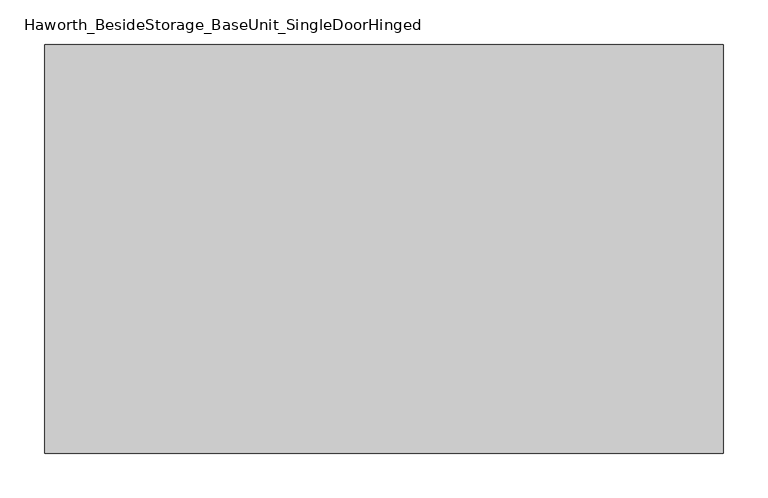
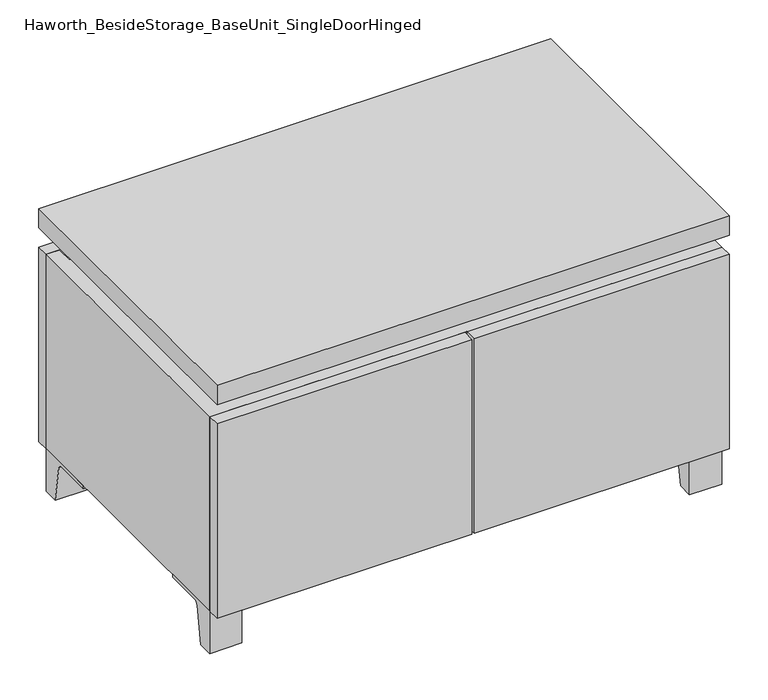
"""IFC4 building model written with IfcOpenShell, lengths in millimetres: furniture geometry, Haworth_BesideStorage_BaseUnit_SingleDoorHinged."""

from ifc_helpers import new_model, si_unit, point, frame, frame_2d, origin, place, context, project, spatial, polyline, circle_curve, trimmed, segment, composite_curve, outline, extrude, faceted_brep, source, transform, mapped, element, save


def haworth_besidestorage_baseunit_singledoorhinged_58ec198d(model_context):
    return source(origin(), model_context, "Body", "SolidModel", [
        extrude(outline(composite_curve([segment(polyline([(-129.6458469, 0.0), (-152.4, 0.0), (-152.4, 66.675), (-57.15, 66.675), (-57.15, 61.8963321), (-113.9505345, 61.8963321)]), True, "CONTINUOUS"), segment(trimmed(circle_curve(frame_2d((-113.9505345, 55.5463321)), 6.35), [point((-113.9505345, 61.8963321))], [point((-120.2141359, 56.5902656))], True, "CARTESIAN"), True, "CONTINUOUS"), segment(polyline([(-120.2141359, 56.5902656), (-129.6458469, 0.0)]), True, "CONTINUOUS")], self_intersect=False)), frame((331.8013906, 0.0, 0.0), z_axis=(1.0, 0.0, 0.0), x_axis=(0.0, 1.0, 0.0)), (0.0, 0.0, 1.0), 47.625),
        extrude(outline(composite_curve([segment(polyline([(243.9458469, 0.0), (234.5141359, 56.5902656)]), True, "CONTINUOUS"), segment(trimmed(circle_curve(frame_2d((228.2505345, 55.5463321)), 6.35), [point((234.5141359, 56.5902656))], [point((228.2505345, 61.8963321))], True, "CARTESIAN"), True, "CONTINUOUS"), segment(polyline([(228.2505345, 61.8963321), (171.45, 61.8963321), (171.45, 66.675), (266.7, 66.675), (266.7, 0.0), (243.9458469, 0.0)]), True, "CONTINUOUS")], self_intersect=False)), frame((331.8013906, 0.0, 0.0), z_axis=(1.0, 0.0, 0.0), x_axis=(0.0, 1.0, 0.0)), (0.0, 0.0, 1.0), 47.625),
        extrude(outline(composite_curve([segment(polyline([(-129.6458469, 0.0), (-152.4, 0.0), (-152.4, 66.675), (-57.15, 66.675), (-57.15, 61.8963321), (-113.9505345, 61.8963321)]), True, "CONTINUOUS"), segment(trimmed(circle_curve(frame_2d((-113.9505345, 55.5463321)), 6.35), [point((-113.9505345, 61.8963321))], [point((-120.2141359, 56.5902656))], True, "CARTESIAN"), True, "CONTINUOUS"), segment(polyline([(-120.2141359, 56.5902656), (-129.6458469, 0.0)]), True, "CONTINUOUS")], self_intersect=False)), frame((-379.3986094, 0.0, 0.0), z_axis=(1.0, 0.0, 0.0), x_axis=(0.0, 1.0, 0.0)), (0.0, 0.0, 1.0), 47.625),
        extrude(outline(composite_curve([segment(polyline([(243.9458469, 0.0), (234.5141359, 56.5902656)]), True, "CONTINUOUS"), segment(trimmed(circle_curve(frame_2d((228.2505345, 55.5463321)), 6.35), [point((234.5141359, 56.5902656))], [point((228.2505345, 61.8963321))], True, "CARTESIAN"), True, "CONTINUOUS"), segment(polyline([(228.2505345, 61.8963321), (171.45, 61.8963321), (171.45, 66.675), (266.7, 66.675), (266.7, 0.0), (243.9458469, 0.0)]), True, "CONTINUOUS")], self_intersect=False)), frame((-379.3986094, 0.0, 0.0), z_axis=(1.0, 0.0, 0.0), x_axis=(0.0, 1.0, 0.0)), (0.0, 0.0, 1.0), 47.625),
        faceted_brep([(-379.3986094, -152.4, 66.675), (379.4125, -152.4, 66.675), (379.4125, -152.4, 371.475), (-379.3986094, -152.4, 371.475), (-360.3486094, -152.4, 85.725), (-360.3486094, -152.4, 352.425), (360.3694453, -152.4, 352.425), (360.3486094, -152.4, 85.725), (-379.3986094, 266.7, 66.675), (-379.3986094, 266.7, 371.475), (-360.3486094, 266.7, 371.475), (-360.3486094, 266.7, 85.725), (360.3486094, 266.7, 85.725), (360.3486094, 266.7, 371.475), (379.4125, 266.7, 371.475), (379.4125, 266.7, 66.675), (360.3486094, 241.3, 371.475), (-360.3416641, 241.3, 371.475), (-360.3486094, 241.3, 352.425), (360.3486094, 241.3, 352.425)], [[[0, 1, 2, 3], [4, 5, 6, 7]], [[8, 9, 10, 11, 12, 13, 14, 15]], [[1, 0, 8, 15]], [[2, 1, 15, 14]], [[3, 2, 14, 13, 16, 17, 10, 9]], [[0, 3, 9, 8]], [[11, 10, 17, 18, 5, 4]], [[13, 12, 7, 6, 19, 16]], [[4, 7, 12, 11]], [[6, 5, 18, 19]], [[17, 16, 19, 18]]]),
        extrude(outline(polyline([(379.4263906, -171.45), (-379.3986094, -171.45), (-379.3986094, 285.75), (379.4263906, 285.75), (379.4263906, -171.45)])), frame((0.0, 0.0, 401.6375), z_axis=(0.0, 0.0, 1.0), x_axis=(1.0, 0.0, 0.0)), (0.0, 0.0, 1.0), 30.1625),
        faceted_brep([(7.9513906, -76.2, 401.6375), (7.9513906, -76.2, 371.475), (7.9513906, 47.625, 371.475), (7.9513906, 47.625, 401.6375), (7.9513906, 190.5, 371.475), (7.9513906, 190.5, 401.6375), (7.9513906, 66.675, 401.6375), (7.9513906, 66.675, 371.475), (-7.9236094, 190.5, 401.6375), (-7.9236094, 190.5, 371.475), (-7.9236094, 66.675, 371.475), (-7.9236094, 66.675, 401.6375), (-7.9236094, -76.2, 371.475), (-7.9236094, -76.2, 401.6375), (-7.9236094, 47.625, 401.6375), (-7.9236094, 47.625, 371.475), (-338.0958281, 66.675, 401.6375), (-338.1166641, 241.3, 401.6375), (-353.9916641, 241.3, 401.6375), (-353.9916641, -127.0, 401.6375), (-338.1166641, -127.0, 401.6375), (-338.1166641, 47.625, 401.6375), (338.1236094, 47.625, 401.6375), (338.1236094, -127.0, 401.6375), (353.9986094, -127.0, 401.6375), (353.9986094, 241.3, 401.6375), (338.1236094, 241.3, 401.6375), (338.1236094, 66.675, 401.6375), (-338.0958281, 47.625, 371.475), (-338.1166641, -127.0, 371.475), (-353.9916641, -127.0, 371.475), (-353.9916641, 241.3, 371.475), (-338.1166641, 241.3, 371.475), (-338.1166641, 66.675, 371.475), (338.1236094, 66.675, 371.475), (338.1236094, 241.3, 371.475), (353.9986094, 241.3, 371.475), (353.9986094, -127.0, 371.475), (338.1236094, -127.0, 371.475), (338.1236094, 47.625, 371.475)], [[[0, 1, 2, 3]], [[4, 5, 6, 7]], [[8, 9, 10, 11]], [[12, 13, 14, 15]], [[5, 8, 11, 16, 17, 18, 19, 20, 21, 14, 13, 0, 3, 22, 23, 24, 25, 26, 27, 6]], [[1, 12, 15, 28, 29, 30, 31, 32, 33, 10, 9, 4, 7, 34, 35, 36, 37, 38, 39, 2]], [[5, 4, 9, 8]], [[1, 0, 13, 12]], [[6, 27, 34, 7]], [[22, 3, 2, 39]], [[20, 29, 28, 21]], [[32, 17, 16, 33]], [[18, 31, 30, 19]], [[29, 20, 19, 30]], [[17, 32, 31, 18]], [[26, 35, 34, 27]], [[38, 23, 22, 39]], [[25, 24, 37, 36]], [[23, 38, 37, 24]], [[35, 26, 25, 36]], [[16, 11, 10, 33]], [[14, 21, 28, 15]]]),
        extrude(outline(polyline([(379.4263906, 266.7), (-379.3986094, 266.7), (-379.3986094, 285.75), (379.4263906, 285.75), (379.4263906, 266.7)])), frame((0.0, 0.0, 66.675), z_axis=(0.0, 0.0, 1.0), x_axis=(1.0, 0.0, 0.0)), (0.0, 0.0, 1.0), 304.8),
        extrude(outline(polyline([(-360.3416641, 196.85), (-360.3416641, 203.2), (360.3694453, 203.2), (360.3694453, 196.85), (-360.3416641, 196.85)])), frame((0.0, 0.0, 85.725), z_axis=(0.0, 0.0, 1.0), x_axis=(1.0, 0.0, 0.0)), (0.0, 0.0, 1.0), 266.7),
        extrude(outline(polyline([(1.6013906, -171.45), (1.6013906, -152.4), (379.4263906, -152.4), (379.4263906, -171.45), (1.6013906, -171.45)])), frame((0.0, 0.0, 66.675), z_axis=(0.0, 0.0, 1.0), x_axis=(1.0, 0.0, 0.0)), (0.0, 0.0, 1.0), 304.8),
        extrude(outline(polyline([(-1.5736094, -171.45), (-379.3986094, -171.45), (-379.3986094, -152.4), (-1.5736094, -152.4), (-1.5736094, -171.45)])), frame((0.0, 0.0, 66.675), z_axis=(0.0, 0.0, 1.0), x_axis=(1.0, 0.0, 0.0)), (0.0, 0.0, 1.0), 304.8),
    ])


if __name__ == "__main__":
    model = new_model("IFC4")
    model_context = context("Model", 3, world=origin())
    ifc_project = project(units=[si_unit("LENGTHUNIT", "METRE", prefix="MILLI")], contexts=[model_context])
    site = spatial("IfcSite", under=ifc_project)
    building = spatial("IfcBuilding", under=site)
    placement = place(None, origin())
    haworth_besidestorage_baseunit_singledoorhinged_shape = haworth_besidestorage_baseunit_singledoorhinged_58ec198d(model_context)
    element("IfcFurniture", 1, ObjectType="Haworth_BesideStorage_BaseUnit_SingleDoorHinged", at=placement, inside=building, context=model_context, shape_type="MappedRepresentation", body=[
        mapped(haworth_besidestorage_baseunit_singledoorhinged_shape, transform((0.0, 0.0, 0.0), x_axis=(1.0, 0.0, 0.0), y_axis=(0.0, 1.0, 0.0), z_axis=(0.0, 0.0, 1.0))),
    ])
    save(model, "model.ifc")
